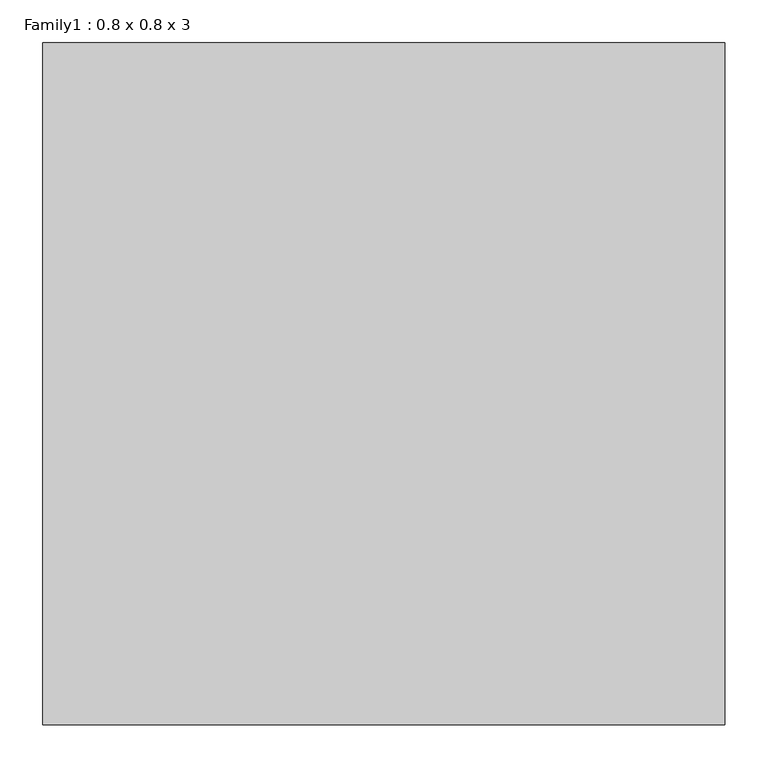
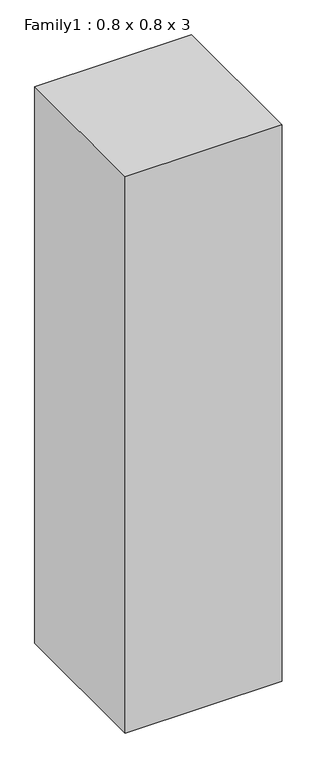
"""IFC4 building model written with IfcOpenShell, lengths in millimetres: proxy geometry, Family1 : 0.8 x 0.8 x 3."""

from ifc_helpers import new_model, si_unit, origin, origin_with_axes, place, context, project, spatial, polyline, outline, extrude, source, transform, mapped, element, save


def family1_0_8_x_0_8_x_3_c7a90134(model_context):
    return source(origin(), model_context, "Body", "SweptSolid", [
        extrude(outline(polyline([(200.0, 600.0), (200.0, -200.0), (-600.0, -200.0), (-600.0, 600.0), (200.0, 600.0)])), origin_with_axes(), (0.0, 0.0, 1.0), 3000.0),
    ])


if __name__ == "__main__":
    model = new_model("IFC4")
    model_context = context("Model", 3, world=origin())
    ifc_project = project(units=[si_unit("LENGTHUNIT", "METRE", prefix="MILLI")], contexts=[model_context])
    site = spatial("IfcSite", under=ifc_project)
    building = spatial("IfcBuilding", under=site)
    placement = place(None, origin())
    family1_0_8_x_0_8_x_3_shape = family1_0_8_x_0_8_x_3_c7a90134(model_context)
    element("IfcBuildingElementProxy", 1, Name="Family1 : 0.8 x 0.8 x 3", ObjectType="Family1 : 0.8 x 0.8 x 3", at=placement, inside=building, context=model_context, shape_type="MappedRepresentation", body=[
        mapped(family1_0_8_x_0_8_x_3_shape, transform((0.0, 0.0, 0.0), x_axis=(1.0, 0.0, 0.0), y_axis=(0.0, 1.0, 0.0), z_axis=(0.0, 0.0, 1.0))),
    ])
    save(model, "model.ifc")
